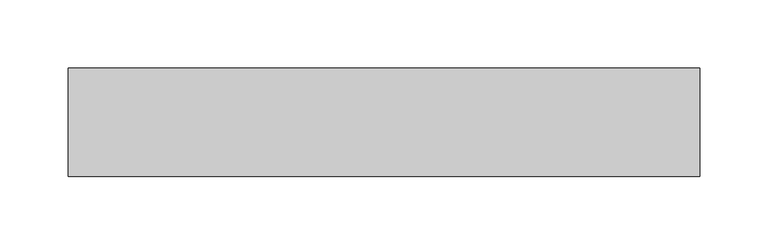
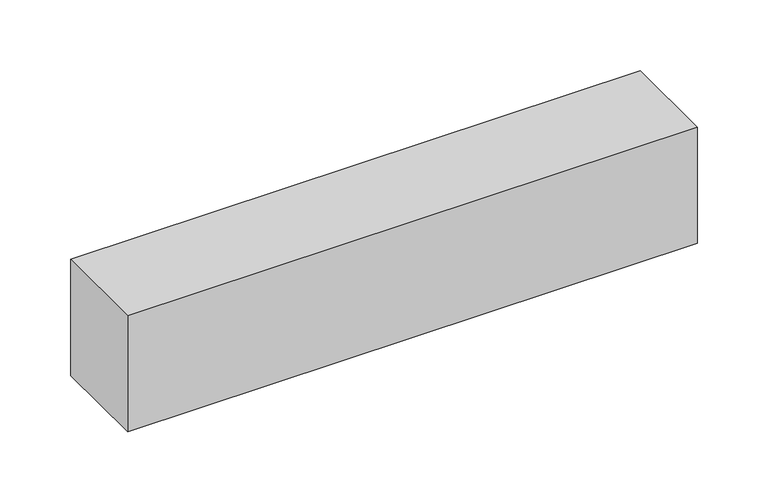
"""IFC4 building model written with IfcOpenShell, lengths in millimetres: proxy geometry."""

import ifcopenshell
import ifcopenshell.guid

model = None  # the IFC model being written
_history = None  # IfcOwnerHistory: only IFC2X3 demands one
_inside = {}  # id of a spatial element -> (the spatial element, [elements in it])
_under = {}  # id of a project, library or spatial element -> (it, [spatial elements below it])
_declared = {}  # id of a project -> (the project, [libraries it declares])
_typed = {}  # id of a type object -> (the type object, [elements of that type])
_made_of = {}  # id of a material, layer set ... -> (it, [elements and type objects made of it])


def new_model(schema):
    """Start an empty IFC model of exactly this schema.

    Asked for "IFC4X3", IfcOpenShell would pick the latest addendum, in which some entities
    have other attributes; the version numbers below select the first issue.
    IFC2X3 requires an IfcOwnerHistory on every rooted entity: one is made here for all.
    """
    global model, _history
    if schema == "IFC4X3":
        model = ifcopenshell.file(schema_version=(4, 3, 0, 0))
    else:
        model = ifcopenshell.file(schema=schema)
    _inside.clear()
    _under.clear()
    _declared.clear()
    _typed.clear()
    _made_of.clear()
    _history = None
    if model.schema == "IFC2X3":
        org = make("IfcOrganization", Name="unknown")
        user = make(
            "IfcPersonAndOrganization",
            ThePerson=make("IfcPerson", FamilyName="unknown"),
            TheOrganization=org,
        )
        app = make(
            "IfcApplication",
            ApplicationDeveloper=org,
            Version="unknown",
            ApplicationFullName="unknown",
            ApplicationIdentifier="unknown",
        )
        _history = make(
            "IfcOwnerHistory",
            OwningUser=user,
            OwningApplication=app,
            ChangeAction="ADDED",
            CreationDate=0,
        )
    return model


def make(cls, **values):
    """One entity of the class cls with the attributes given. An attribute that is None is left unset."""
    return model.create_entity(
        cls, **{name: value for name, value in values.items() if value is not None}
    )


def rooted(cls, **values):
    """An entity with a GlobalId (a new one), such as an element, a storey or a relation."""
    return make(cls, GlobalId=ifcopenshell.guid.new(), OwnerHistory=_history, **values)


def si_unit(unit_type, name, prefix=None):
    """IfcSIUnit, for example si_unit("LENGTHUNIT", "METRE", prefix="MILLI")."""
    return make("IfcSIUnit", UnitType=unit_type, Prefix=prefix, Name=name)


def assignment(units):
    """IfcUnitAssignment: the units of a project."""
    return None if units is None else make("IfcUnitAssignment", Units=units)


def point(xyz):
    """IfcCartesianPoint."""
    return None if xyz is None else make("IfcCartesianPoint", Coordinates=xyz)


def direction(xyz):
    """IfcDirection."""
    return None if xyz is None else make("IfcDirection", DirectionRatios=xyz)


def frame(location, z_axis=None, x_axis=None):
    """IfcAxis2Placement3D, a coordinate frame: its origin and axes. An axis left out is left unset."""
    return make(
        "IfcAxis2Placement3D",
        Location=point(location),
        Axis=direction(z_axis),
        RefDirection=direction(x_axis),
    )


def origin():
    """The frame at (0, 0, 0) with its axes left unset."""
    return frame((0.0, 0.0, 0.0))


def place(relative_to, where):
    """IfcLocalPlacement: puts the frame where relative to a parent placement (None: the world)."""
    return make(
        "IfcLocalPlacement", PlacementRelTo=relative_to, RelativePlacement=where
    )


def context(
    kind, dimensions, precision=None, world=None, true_north=None, identifier=None
):
    """IfcGeometricRepresentationContext, for example the 3D "Model" context."""
    return make(
        "IfcGeometricRepresentationContext",
        ContextIdentifier=identifier,
        ContextType=kind,
        CoordinateSpaceDimension=dimensions,
        Precision=precision,
        WorldCoordinateSystem=world,
        TrueNorth=true_north,
    )


def project(units=None, contexts=None):
    """IfcProject with its units and contexts."""
    return rooted(
        "IfcProject",
        Name="project",
        RepresentationContexts=contexts,
        UnitsInContext=assignment(units),
    )


def spatial(cls, under=None, at=None, **own):
    """A site, building, storey or space (cls), placed at a placement, below another one or the project."""
    s = rooted(cls, ObjectPlacement=at, **own)
    if under is not None:
        _under.setdefault(under.id(), (under, []))[1].append(s)
    return s


def polyline(points):
    """IfcPolyline through the points."""
    return make("IfcPolyline", Points=[point(p) for p in points])


def outline(outer, holes=None, kind="AREA"):
    """IfcArbitraryClosedProfileDef: a profile drawn as a closed curve; with holes, ...WithVoids."""
    if holes is None:
        return make("IfcArbitraryClosedProfileDef", ProfileType=kind, OuterCurve=outer)
    return make(
        "IfcArbitraryProfileDefWithVoids",
        ProfileType=kind,
        OuterCurve=outer,
        InnerCurves=holes,
    )


def extrude(swept, where, along, depth):
    """IfcExtrudedAreaSolid: the profile swept, set in the frame where, extruded along a direction by depth."""
    return make(
        "IfcExtrudedAreaSolid",
        SweptArea=swept,
        Position=where,
        ExtrudedDirection=direction(along),
        Depth=depth,
    )


def shape(context_of_items, identifier, shape_type, items):
    """IfcShapeRepresentation: the items that make up one representation, for example the "Body"."""
    return make(
        "IfcShapeRepresentation",
        ContextOfItems=context_of_items,
        RepresentationIdentifier=identifier,
        RepresentationType=shape_type,
        Items=items,
    )


def source(mapping_origin, context_of_items, identifier, shape_type, items):
    """IfcRepresentationMap: a shape defined once, which mapped items show again and again."""
    return make(
        "IfcRepresentationMap",
        MappingOrigin=mapping_origin,
        MappedRepresentation=shape(context_of_items, identifier, shape_type, items),
    )


def transform(
    local_origin,
    x_axis=None,
    y_axis=None,
    z_axis=None,
    scale=None,
    scale2=None,
    scale3=None,
    uniform=True,
):
    """IfcCartesianTransformationOperator3D, or its non-uniform kind. x_axis, y_axis, z_axis: its Axis1, 2, 3."""
    if uniform:
        return make(
            "IfcCartesianTransformationOperator3D",
            Axis1=direction(x_axis),
            Axis2=direction(y_axis),
            LocalOrigin=point(local_origin),
            Scale=scale,
            Axis3=direction(z_axis),
        )
    return make(
        "IfcCartesianTransformationOperator3DnonUniform",
        Axis1=direction(x_axis),
        Axis2=direction(y_axis),
        LocalOrigin=point(local_origin),
        Scale=scale,
        Axis3=direction(z_axis),
        Scale2=scale2,
        Scale3=scale3,
    )


def mapped(mapping_source, mapping_target):
    """IfcMappedItem: shows the shape of a source again, moved by a transform."""
    return make(
        "IfcMappedItem", MappingSource=mapping_source, MappingTarget=mapping_target
    )


def made_of(thing, what):
    """Note that an element or type object is made of a material, layer set ...; save() writes the relation."""
    if what is not None:
        _made_of.setdefault(what.id(), (what, []))[1].append(thing)
    return thing


def element(
    cls,
    number,
    at=None,
    inside=None,
    cuts=None,
    type_object=None,
    material=None,
    context=None,
    identifier="Body",
    shape_type=None,
    held_by="IfcProductDefinitionShape",
    body=None,
    shapes=None,
    **own,
):
    """One element of the class cls, such as IfcWall. Its Tag is "e" and its number.

    at: its placement. inside: the storey or other place that contains it. cuts: it is an
    opening in that element (IfcRelVoidsElement). A single representation is given by context,
    identifier, shape_type and body (its items); several are given by shapes. held_by: the class
    of the entity that holds the representations. save() writes the other relations.
    """
    e = rooted(cls, Tag="e%d" % number, ObjectPlacement=at, **own)
    if body is not None:
        shapes = [shape(context, identifier, shape_type, body)]
    if shapes is not None:
        e.Representation = make(held_by, Representations=shapes)
    if inside is not None:
        _inside.setdefault(inside.id(), (inside, []))[1].append(e)
    if cuts is not None:
        rooted(
            "IfcRelVoidsElement", RelatingBuildingElement=cuts, RelatedOpeningElement=e
        )
    if type_object is not None:
        _typed.setdefault(type_object.id(), (type_object, []))[1].append(e)
    return made_of(e, material)


def aggregate(whole, parts):
    """IfcRelAggregates: a whole, such as a stair, and the parts it consists of."""
    return rooted("IfcRelAggregates", RelatingObject=whole, RelatedObjects=parts)


def save(model, path):
    """Write the relations noted so far, then the file.

    IfcRelAggregates (storeys below a building ...), IfcRelContainedInSpatialStructure (elements
    in a storey), IfcRelDefinesByType, IfcRelAssociatesMaterial and IfcRelDeclares: one each for
    every whole, place, type object, material and project.
    """
    for whole, parts in _under.values():
        aggregate(whole, parts)
    for where, things in _inside.values():
        rooted(
            "IfcRelContainedInSpatialStructure",
            RelatedElements=things,
            RelatingStructure=where,
        )
    for kind, things in _typed.values():
        rooted("IfcRelDefinesByType", RelatedObjects=things, RelatingType=kind)
    for what, things in _made_of.values():
        rooted("IfcRelAssociatesMaterial", RelatedObjects=things, RelatingMaterial=what)
    for by, libraries in _declared.values():
        rooted("IfcRelDeclares", RelatingContext=by, RelatedDefinitions=libraries)
    model.write(path)


def generic_models_1cc75ea3(model_context):
    return source(origin(), model_context, "Body", "SweptSolid", [
        extrude(outline(polyline([(40.0, 0.0), (-40.0, 0.0), (-40.0, 464.2640687), (40.0, 464.2640687), (40.0, 0.0)])), frame((464.2640687, 0.0, 0.0), z_axis=(0.0, -1.9783474858313244e-12, 1.0), x_axis=(0.0, 1.0, 1.9783474858313244e-12)), (0.0, 0.0, 1.0), 100.0),
    ])


if __name__ == "__main__":
    model = new_model("IFC4")
    model_context = context("Model", 3, world=origin())
    ifc_project = project(units=[si_unit("LENGTHUNIT", "METRE", prefix="MILLI")], contexts=[model_context])
    site = spatial("IfcSite", under=ifc_project)
    building = spatial("IfcBuilding", under=site)
    placement = place(None, origin())
    generic_models_shape = generic_models_1cc75ea3(model_context)
    element("IfcBuildingElementProxy", 1, Name="Generic Models", at=placement, inside=building, context=model_context, shape_type="MappedRepresentation", body=[
        mapped(generic_models_shape, transform((0.0, 0.0, 0.0), x_axis=(1.0, 0.0, 0.0), y_axis=(0.0, 1.0, 0.0), z_axis=(0.0, 0.0, 1.0))),
    ])
    save(model, "model.ifc")
